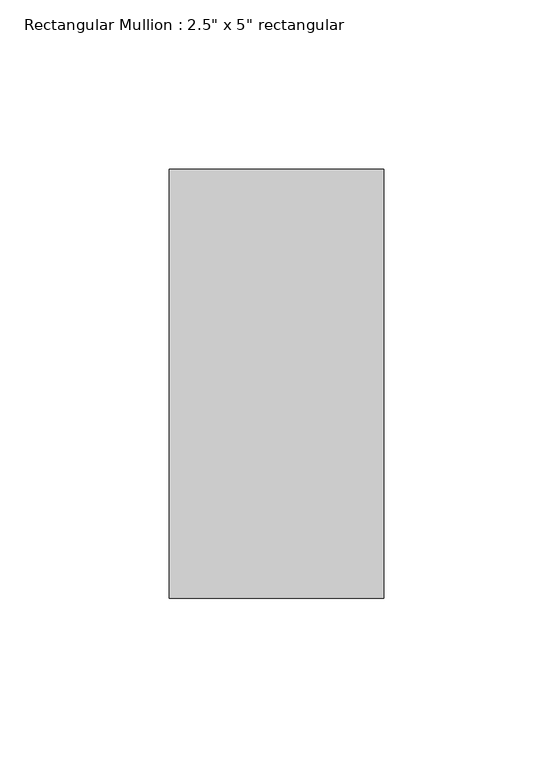
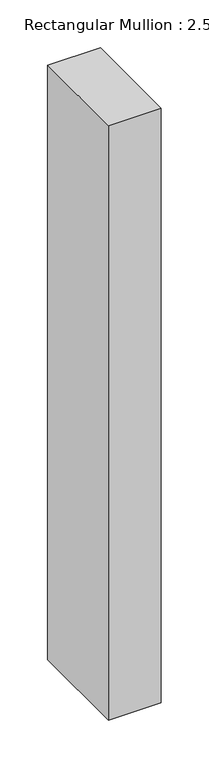
"""IFC4 building model written with IfcOpenShell, lengths in millimetres: member geometry."""

from ifc_helpers import new_model, si_unit, frame, origin, place, context, project, spatial, polyline, outline, extrude, source, transform, mapped, element, save


def member_e067ddbf(model_context):
    return source(origin(), model_context, "Body", "SweptSolid", [
        extrude(outline(polyline([(31.75, 63.5), (31.75, -63.5), (-31.75, -63.5), (-31.75, 63.5), (31.75, 63.5)])), frame((0.0, 0.0, -757.7666667), z_axis=(0.0, 0.0, 1.0), x_axis=(1.0, 0.0, 0.0)), (0.0, 0.0, 1.0), 757.7666667),
    ])


if __name__ == "__main__":
    model = new_model("IFC4")
    model_context = context("Model", 3, world=origin())
    ifc_project = project(units=[si_unit("LENGTHUNIT", "METRE", prefix="MILLI")], contexts=[model_context])
    site = spatial("IfcSite", under=ifc_project)
    building = spatial("IfcBuilding", under=site)
    placement = place(None, origin())
    member_shape = member_e067ddbf(model_context)
    element("IfcMember", 1, ObjectType="Rectangular Mullion : 2.5\" x 5\" rectangular", at=placement, inside=building, context=model_context, shape_type="MappedRepresentation", body=[
        mapped(member_shape, transform((0.0, 0.0, 0.0), x_axis=(1.0, 0.0, 0.0), y_axis=(0.0, 1.0, 0.0), z_axis=(0.0, 0.0, 1.0))),
    ])
    save(model, "model.ifc")
